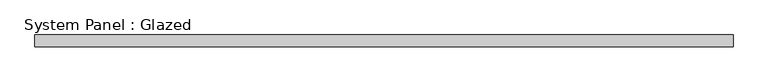
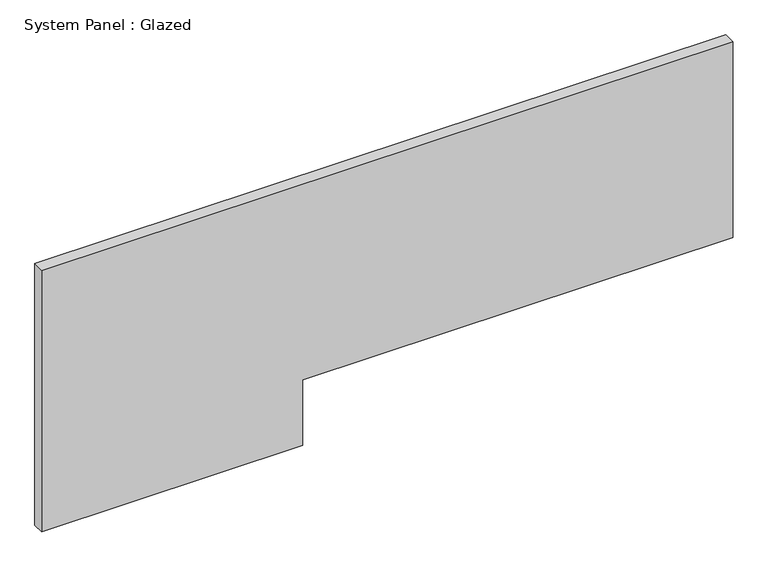
"""IFC4 building model written with IfcOpenShell, lengths in millimetres: plate geometry, System Panel : Glazed."""

import ifcopenshell
import ifcopenshell.guid

model = None  # the IFC model being written
_history = None  # IfcOwnerHistory: only IFC2X3 demands one
_inside = {}  # id of a spatial element -> (the spatial element, [elements in it])
_under = {}  # id of a project, library or spatial element -> (it, [spatial elements below it])
_declared = {}  # id of a project -> (the project, [libraries it declares])
_typed = {}  # id of a type object -> (the type object, [elements of that type])
_made_of = {}  # id of a material, layer set ... -> (it, [elements and type objects made of it])


def new_model(schema):
    """Start an empty IFC model of exactly this schema.

    Asked for "IFC4X3", IfcOpenShell would pick the latest addendum, in which some entities
    have other attributes; the version numbers below select the first issue.
    IFC2X3 requires an IfcOwnerHistory on every rooted entity: one is made here for all.
    """
    global model, _history
    if schema == "IFC4X3":
        model = ifcopenshell.file(schema_version=(4, 3, 0, 0))
    else:
        model = ifcopenshell.file(schema=schema)
    _inside.clear()
    _under.clear()
    _declared.clear()
    _typed.clear()
    _made_of.clear()
    _history = None
    if model.schema == "IFC2X3":
        org = make("IfcOrganization", Name="unknown")
        user = make(
            "IfcPersonAndOrganization",
            ThePerson=make("IfcPerson", FamilyName="unknown"),
            TheOrganization=org,
        )
        app = make(
            "IfcApplication",
            ApplicationDeveloper=org,
            Version="unknown",
            ApplicationFullName="unknown",
            ApplicationIdentifier="unknown",
        )
        _history = make(
            "IfcOwnerHistory",
            OwningUser=user,
            OwningApplication=app,
            ChangeAction="ADDED",
            CreationDate=0,
        )
    return model


def make(cls, **values):
    """One entity of the class cls with the attributes given. An attribute that is None is left unset."""
    return model.create_entity(
        cls, **{name: value for name, value in values.items() if value is not None}
    )


def rooted(cls, **values):
    """An entity with a GlobalId (a new one), such as an element, a storey or a relation."""
    return make(cls, GlobalId=ifcopenshell.guid.new(), OwnerHistory=_history, **values)


def si_unit(unit_type, name, prefix=None):
    """IfcSIUnit, for example si_unit("LENGTHUNIT", "METRE", prefix="MILLI")."""
    return make("IfcSIUnit", UnitType=unit_type, Prefix=prefix, Name=name)


def assignment(units):
    """IfcUnitAssignment: the units of a project."""
    return None if units is None else make("IfcUnitAssignment", Units=units)


def point(xyz):
    """IfcCartesianPoint."""
    return None if xyz is None else make("IfcCartesianPoint", Coordinates=xyz)


def direction(xyz):
    """IfcDirection."""
    return None if xyz is None else make("IfcDirection", DirectionRatios=xyz)


def frame(location, z_axis=None, x_axis=None):
    """IfcAxis2Placement3D, a coordinate frame: its origin and axes. An axis left out is left unset."""
    return make(
        "IfcAxis2Placement3D",
        Location=point(location),
        Axis=direction(z_axis),
        RefDirection=direction(x_axis),
    )


def origin():
    """The frame at (0, 0, 0) with its axes left unset."""
    return frame((0.0, 0.0, 0.0))


def place(relative_to, where):
    """IfcLocalPlacement: puts the frame where relative to a parent placement (None: the world)."""
    return make(
        "IfcLocalPlacement", PlacementRelTo=relative_to, RelativePlacement=where
    )


def context(
    kind, dimensions, precision=None, world=None, true_north=None, identifier=None
):
    """IfcGeometricRepresentationContext, for example the 3D "Model" context."""
    return make(
        "IfcGeometricRepresentationContext",
        ContextIdentifier=identifier,
        ContextType=kind,
        CoordinateSpaceDimension=dimensions,
        Precision=precision,
        WorldCoordinateSystem=world,
        TrueNorth=true_north,
    )


def project(units=None, contexts=None):
    """IfcProject with its units and contexts."""
    return rooted(
        "IfcProject",
        Name="project",
        RepresentationContexts=contexts,
        UnitsInContext=assignment(units),
    )


def spatial(cls, under=None, at=None, **own):
    """A site, building, storey or space (cls), placed at a placement, below another one or the project."""
    s = rooted(cls, ObjectPlacement=at, **own)
    if under is not None:
        _under.setdefault(under.id(), (under, []))[1].append(s)
    return s


def polyline(points):
    """IfcPolyline through the points."""
    return make("IfcPolyline", Points=[point(p) for p in points])


def outline(outer, holes=None, kind="AREA"):
    """IfcArbitraryClosedProfileDef: a profile drawn as a closed curve; with holes, ...WithVoids."""
    if holes is None:
        return make("IfcArbitraryClosedProfileDef", ProfileType=kind, OuterCurve=outer)
    return make(
        "IfcArbitraryProfileDefWithVoids",
        ProfileType=kind,
        OuterCurve=outer,
        InnerCurves=holes,
    )


def extrude(swept, where, along, depth):
    """IfcExtrudedAreaSolid: the profile swept, set in the frame where, extruded along a direction by depth."""
    return make(
        "IfcExtrudedAreaSolid",
        SweptArea=swept,
        Position=where,
        ExtrudedDirection=direction(along),
        Depth=depth,
    )


def shape(context_of_items, identifier, shape_type, items):
    """IfcShapeRepresentation: the items that make up one representation, for example the "Body"."""
    return make(
        "IfcShapeRepresentation",
        ContextOfItems=context_of_items,
        RepresentationIdentifier=identifier,
        RepresentationType=shape_type,
        Items=items,
    )


def source(mapping_origin, context_of_items, identifier, shape_type, items):
    """IfcRepresentationMap: a shape defined once, which mapped items show again and again."""
    return make(
        "IfcRepresentationMap",
        MappingOrigin=mapping_origin,
        MappedRepresentation=shape(context_of_items, identifier, shape_type, items),
    )


def transform(
    local_origin,
    x_axis=None,
    y_axis=None,
    z_axis=None,
    scale=None,
    scale2=None,
    scale3=None,
    uniform=True,
):
    """IfcCartesianTransformationOperator3D, or its non-uniform kind. x_axis, y_axis, z_axis: its Axis1, 2, 3."""
    if uniform:
        return make(
            "IfcCartesianTransformationOperator3D",
            Axis1=direction(x_axis),
            Axis2=direction(y_axis),
            LocalOrigin=point(local_origin),
            Scale=scale,
            Axis3=direction(z_axis),
        )
    return make(
        "IfcCartesianTransformationOperator3DnonUniform",
        Axis1=direction(x_axis),
        Axis2=direction(y_axis),
        LocalOrigin=point(local_origin),
        Scale=scale,
        Axis3=direction(z_axis),
        Scale2=scale2,
        Scale3=scale3,
    )


def mapped(mapping_source, mapping_target):
    """IfcMappedItem: shows the shape of a source again, moved by a transform."""
    return make(
        "IfcMappedItem", MappingSource=mapping_source, MappingTarget=mapping_target
    )


def made_of(thing, what):
    """Note that an element or type object is made of a material, layer set ...; save() writes the relation."""
    if what is not None:
        _made_of.setdefault(what.id(), (what, []))[1].append(thing)
    return thing


def element(
    cls,
    number,
    at=None,
    inside=None,
    cuts=None,
    type_object=None,
    material=None,
    context=None,
    identifier="Body",
    shape_type=None,
    held_by="IfcProductDefinitionShape",
    body=None,
    shapes=None,
    **own,
):
    """One element of the class cls, such as IfcWall. Its Tag is "e" and its number.

    at: its placement. inside: the storey or other place that contains it. cuts: it is an
    opening in that element (IfcRelVoidsElement). A single representation is given by context,
    identifier, shape_type and body (its items); several are given by shapes. held_by: the class
    of the entity that holds the representations. save() writes the other relations.
    """
    e = rooted(cls, Tag="e%d" % number, ObjectPlacement=at, **own)
    if body is not None:
        shapes = [shape(context, identifier, shape_type, body)]
    if shapes is not None:
        e.Representation = make(held_by, Representations=shapes)
    if inside is not None:
        _inside.setdefault(inside.id(), (inside, []))[1].append(e)
    if cuts is not None:
        rooted(
            "IfcRelVoidsElement", RelatingBuildingElement=cuts, RelatedOpeningElement=e
        )
    if type_object is not None:
        _typed.setdefault(type_object.id(), (type_object, []))[1].append(e)
    return made_of(e, material)


def aggregate(whole, parts):
    """IfcRelAggregates: a whole, such as a stair, and the parts it consists of."""
    return rooted("IfcRelAggregates", RelatingObject=whole, RelatedObjects=parts)


def save(model, path):
    """Write the relations noted so far, then the file.

    IfcRelAggregates (storeys below a building ...), IfcRelContainedInSpatialStructure (elements
    in a storey), IfcRelDefinesByType, IfcRelAssociatesMaterial and IfcRelDeclares: one each for
    every whole, place, type object, material and project.
    """
    for whole, parts in _under.values():
        aggregate(whole, parts)
    for where, things in _inside.values():
        rooted(
            "IfcRelContainedInSpatialStructure",
            RelatedElements=things,
            RelatingStructure=where,
        )
    for kind, things in _typed.values():
        rooted("IfcRelDefinesByType", RelatedObjects=things, RelatingType=kind)
    for what, things in _made_of.values():
        rooted("IfcRelAssociatesMaterial", RelatedObjects=things, RelatingMaterial=what)
    for by, libraries in _declared.values():
        rooted("IfcRelDeclares", RelatingContext=by, RelatedDefinitions=libraries)
    model.write(path)


def system_panel_glazed_48235327(model_context):
    return source(origin(), model_context, "Body", "SweptSolid", [
        extrude(outline(polyline([(0.0, -762.0), (0.0, -186.2883393), (152.4, -186.2883393), (152.4, 762.0), (609.6, 762.0), (609.6, -762.0), (0.0, -762.0)])), frame((0.0, 19.05, 0.0), z_axis=(0.0, 1.0, 0.0), x_axis=(0.0, 0.0, 1.0)), (0.0, 0.0, 1.0), 25.4),
    ])


if __name__ == "__main__":
    model = new_model("IFC4")
    model_context = context("Model", 3, world=origin())
    ifc_project = project(units=[si_unit("LENGTHUNIT", "METRE", prefix="MILLI")], contexts=[model_context])
    site = spatial("IfcSite", under=ifc_project)
    building = spatial("IfcBuilding", under=site)
    placement = place(None, origin())
    system_panel_glazed_shape = system_panel_glazed_48235327(model_context)
    element("IfcPlate", 1, ObjectType="System Panel : Glazed", at=placement, inside=building, context=model_context, shape_type="MappedRepresentation", body=[
        mapped(system_panel_glazed_shape, transform((0.0, 0.0, 0.0), x_axis=(1.0, 0.0, 0.0), y_axis=(0.0, 1.0, 0.0), z_axis=(0.0, 0.0, 1.0))),
    ])
    save(model, "model.ifc")
